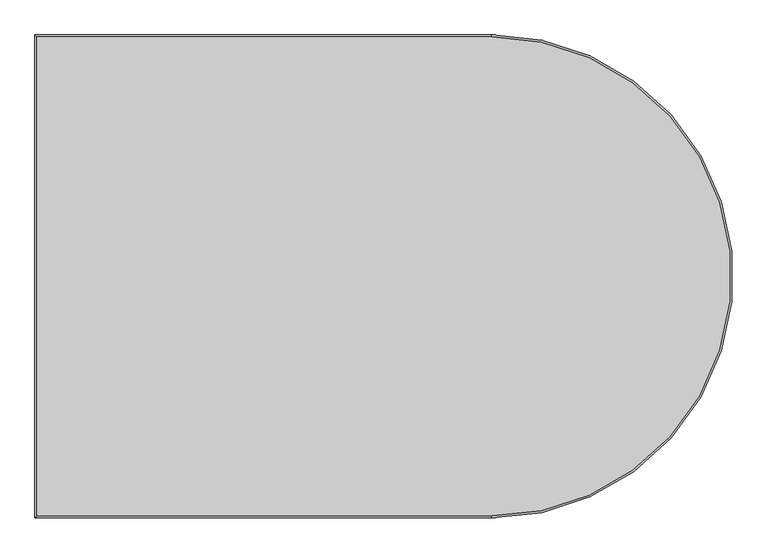
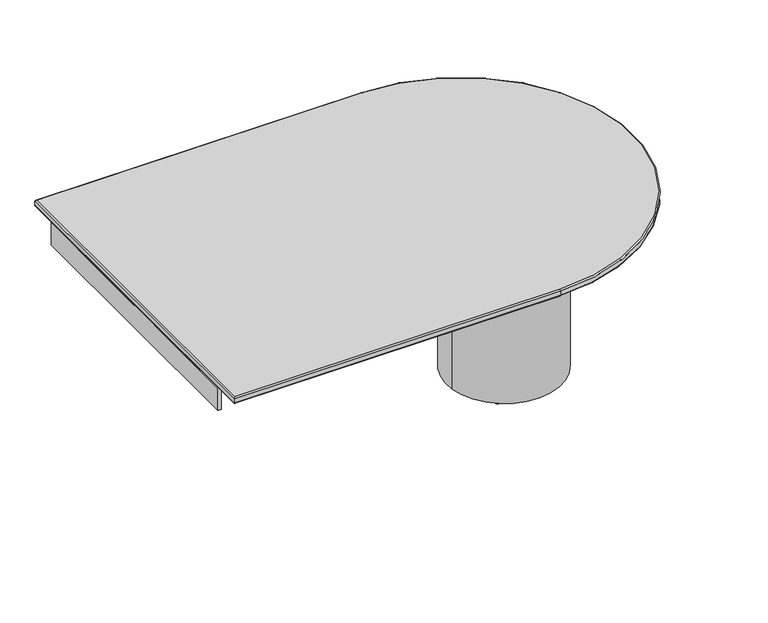
"""IFC4 building model written with IfcOpenShell, lengths in millimetres: furniture geometry."""

from ifc_helpers import new_model, si_unit, point, frame, frame_2d, origin, origin_with_axes, place, context, project, spatial, polyline, circle_curve, ellipse_curve, trimmed, segment, composite_curve, outline, extrude, source, transform, mapped, element, save
from ifc_brep_helpers import plane_surface, cylinder_surface, revolved_surface, advanced_brep


def furniture_6aa3ad84(model_context):
    return source(origin(), model_context, "Body", "SolidModel", [
        extrude(outline(polyline([(-1188.2497719, 501.9960022), (-1188.2491592, -501.9960022), (-1199.9996486, -501.9960022), (-1199.9996486, 501.9960022), (-1188.2497719, 501.9960022)])), frame((0.0, 0.0, 592.4214172), z_axis=(0.0, 0.0, 1.0), x_axis=(1.0, 0.0, 0.0)), (0.0, 0.0, 1.0), 82.5785828),
        extrude(outline(composite_curve([segment(trimmed(circle_curve(frame_2d((85.0, 0.0)), 200.0), [point((-113.1306356, -27.2809682))], [point((283.1306356, 27.2809682))], False, "CARTESIAN"), True, "CONTINUOUS"), segment(trimmed(circle_curve(frame_2d((85.0, 0.0)), 200.0), [point((283.1306356, 27.2809682))], [point((-113.1306356, -27.2809682))], False, "CARTESIAN"), True, "CONTINUOUS")], self_intersect=False), holes=[composite_curve([segment(trimmed(circle_curve(frame_2d((85.0, 0.0)), 125.0), [point((-38.8316473, -17.0506051))], [point((208.8316473, 17.0506051))], True, "CARTESIAN"), True, "CONTINUOUS"), segment(trimmed(circle_curve(frame_2d((85.0, 0.0)), 125.0), [point((208.8316473, 17.0506051))], [point((-38.8316473, -17.0506051))], True, "CARTESIAN"), True, "CONTINUOUS")], self_intersect=False)]), frame((0.0, 0.0, 4.0), z_axis=(0.0, 0.0, 1.0), x_axis=(1.0, 0.0, 0.0)), (0.0, 0.0, 1.0), 671.0),
        extrude(outline(composite_curve([segment(trimmed(circle_curve(frame_2d((230.3308694, -106.6910172)), 8.5), [point((238.8308694, -106.6910172))], [point((221.8308694, -106.6910172))], False, "CARTESIAN"), True, "CONTINUOUS"), segment(trimmed(circle_curve(frame_2d((230.3308694, -106.6910172)), 8.5), [point((221.8308694, -106.6910172))], [point((238.8308694, -106.6910172))], False, "CARTESIAN"), True, "CONTINUOUS")], self_intersect=False)), origin_with_axes(), (0.0, 0.0, 1.0), 4.0),
        extrude(outline(composite_curve([segment(trimmed(circle_curve(frame_2d((-70.1959548, 103.8020102)), 8.5), [point((-61.6959548, 103.8020102))], [point((-78.6959548, 103.8020102))], False, "CARTESIAN"), True, "CONTINUOUS"), segment(trimmed(circle_curve(frame_2d((-70.1959548, 103.8020102)), 8.5), [point((-78.6959548, 103.8020102))], [point((-61.6959548, 103.8020102))], False, "CARTESIAN"), True, "CONTINUOUS")], self_intersect=False)), origin_with_axes(), (0.0, 0.0, 1.0), 4.0),
        extrude(outline(composite_curve([segment(trimmed(circle_curve(frame_2d((185.3734687, 148.7750738)), 8.5), [point((193.8734687, 148.7750738))], [point((176.8734687, 148.7750738))], False, "CARTESIAN"), True, "CONTINUOUS"), segment(trimmed(circle_curve(frame_2d((185.3734687, 148.7750738)), 8.5), [point((176.8734687, 148.7750738))], [point((193.8734687, 148.7750738))], False, "CARTESIAN"), True, "CONTINUOUS")], self_intersect=False)), origin_with_axes(), (0.0, 0.0, 1.0), 4.0),
        extrude(outline(composite_curve([segment(trimmed(circle_curve(frame_2d((-25.1766757, -151.7514084)), 8.5), [point((-16.6766757, -151.7514084))], [point((-33.6766757, -151.7514084))], False, "CARTESIAN"), True, "CONTINUOUS"), segment(trimmed(circle_curve(frame_2d((-25.1766757, -151.7514084)), 8.5), [point((-33.6766757, -151.7514084))], [point((-16.6766757, -151.7514084))], False, "CARTESIAN"), True, "CONTINUOUS")], self_intersect=False)), origin_with_axes(), (0.0, 0.0, 1.0), 4.0),
        advanced_brep(
        [(-64.9557033, -594.9998093, 699.375), (-64.9557033, 595.0001907, 699.375), (-1194.9996486, 595.0001907, 699.375), (-1194.9996486, -594.9998093, 699.375), (-64.9557033, 595.0001907, 675.0), (-64.9557033, -594.9998093, 675.0), (-1194.9996486, -594.9998093, 675.0), (-1194.9996486, 595.0001907, 675.0), (-1199.9996486, 600.0001907, 694.375), (-64.9557033, 600.0001907, 694.375), (-64.9557033, 600.0001907, 680.0), (-1199.9996486, 600.0001907, 680.0), (-1199.9996486, -599.9998093, 694.375), (-1199.9996486, -599.9998093, 680.0), (-64.9557033, -599.9998093, 694.375), (-64.9557033, -599.9998093, 680.0)],
        [
            (0, 1, circle_curve(frame((-64.9557033, 0.0001907, 699.375), z_axis=(0.0, 0.0, 1.0), x_axis=(0.0, -1.0, 0.0)), 595.0)),
            (1, 2),
            (2, 3),
            (3, 0),
            (4, 5, circle_curve(frame((-64.9557033, 0.0001907, 675.0), z_axis=(0.0, 0.0, -1.0), x_axis=(0.0, -1.0, 0.0)), 595.0)),
            (5, 6),
            (6, 7),
            (7, 4),
            (8, 9),
            (9, 10),
            (10, 11),
            (11, 8),
            (12, 8),
            (11, 13),
            (13, 12),
            (14, 12),
            (13, 15),
            (15, 14),
            (9, 14, circle_curve(frame((-64.9557033, 0.0001907, 694.375), z_axis=(0.0, 0.0, -1.0), x_axis=(1.0, 0.0, 0.0)), 600.0)),
            (15, 10, circle_curve(frame((-64.9557033, 0.0001907, 680.0), z_axis=(0.0, 0.0, 1.0), x_axis=(1.0, 0.0, 0.0)), 600.0)),
            (9, 1, circle_curve(frame((-64.9557033, 595.0001907, 694.375), z_axis=(1.0, 0.0, 0.0), x_axis=(0.0, -1.0, 0.0)), 5.0)),
            (0, 14, circle_curve(frame((-64.9557033, -594.9998093, 694.375), z_axis=(1.0, 0.0, 0.0), x_axis=(0.0, 1.0, 0.0)), 5.0)),
            (8, 2, ellipse_curve(frame((-1194.9996486, 595.0001907, 694.375), z_axis=(0.7071067811865493, 0.7071067811865456, 0.0), x_axis=(-0.7071067811865457, 0.7071067811865493, 0.0)), 7.0710678, 5.0)),
            (12, 3, ellipse_curve(frame((-1194.9996486, -594.9998093, 694.375), z_axis=(-0.7071067811865456, 0.7071067811865495, 0.0), x_axis=(-0.7071067811865493, -0.7071067811865456, 0.0)), 7.0710678, 5.0)),
            (4, 10, circle_curve(frame((-64.9557033, 595.0001907, 680.0), z_axis=(1.0, 0.0, 0.0), x_axis=(0.0, -1.0, 0.0)), 5.0)),
            (15, 5, circle_curve(frame((-64.9557033, -594.9998093, 680.0), z_axis=(1.0, 0.0, 0.0), x_axis=(0.0, 1.0, 0.0)), 5.0)),
            (7, 11, ellipse_curve(frame((-1194.9996486, 595.0001907, 680.0), z_axis=(0.7071067811865493, 0.7071067811865456, 0.0), x_axis=(-0.7071067811865457, 0.7071067811865493, 0.0)), 7.0710678, 5.0)),
            (6, 13, ellipse_curve(frame((-1194.9996486, -594.9998093, 680.0), z_axis=(-0.7071067811865456, 0.7071067811865495, 0.0), x_axis=(-0.7071067811865493, -0.7071067811865456, 0.0)), 7.0710678, 5.0)),
        ],
        [
            plane_surface(frame((-64.9557033, 600.0001907, 699.375), z_axis=(0.0, 0.0, 1.0), x_axis=(-1.0, 0.0, 0.0))),
            plane_surface(frame((-64.9557033, 600.0001907, 675.0), z_axis=(0.0, 0.0, -1.0), x_axis=(1.0, 0.0, 0.0))),
            plane_surface(frame((-64.9557033, 600.0001907, 699.375), z_axis=(0.0, 1.0, 0.0), x_axis=(0.0, 0.0, -1.0))),
            plane_surface(frame((-1199.9996486, 600.0001907, 699.375), z_axis=(-1.0, 0.0, 0.0), x_axis=(0.0, 0.0, -1.0))),
            plane_surface(frame((-1199.9996486, -599.9998093, 699.375), z_axis=(0.0, -1.0, 0.0), x_axis=(0.0, 0.0, -1.0))),
            cylinder_surface(frame((-64.9557033, 0.0001907, 675.0), z_axis=(0.0, 0.0, 1.0), x_axis=(1.0, 0.0, 0.0)), 600.0),
            revolved_surface(trimmed(ellipse_curve(frame((-64.9557033, -594.9998093, 694.375), z_axis=(-1.0, 0.0, 0.0), x_axis=(0.0, 1.0, 0.0)), 5.0, 5.0), [point((-64.9557033, -599.9998093, 694.375))], [point((-64.9557033, -594.9998093, 699.375))], True, "CARTESIAN"), (-64.9557033, 0.0001907, 699.375), (0.0, 0.0, 1.0)),
            cylinder_surface(frame((-64.9557033, 595.0001907, 694.375), z_axis=(-1.0, 0.0, 0.0), x_axis=(0.0, -1.0, 0.0)), 5.0),
            cylinder_surface(frame((-1194.9996486, 600.0001907, 694.375), z_axis=(0.0, -1.0, 0.0), x_axis=(1.0, 0.0, 0.0)), 5.0),
            cylinder_surface(frame((-1199.9996486, -594.9998093, 694.375), z_axis=(1.0, 0.0, 0.0), x_axis=(0.0, 1.0, 0.0)), 5.0),
            revolved_surface(trimmed(ellipse_curve(frame((-64.9557033, -594.9998093, 680.0), z_axis=(-1.0, 0.0, 0.0), x_axis=(0.0, 1.0, 0.0)), 5.0, 5.0), [point((-64.9557033, -594.9998093, 675.0))], [point((-64.9557033, -599.9998093, 680.0))], True, "CARTESIAN"), (-64.9557033, 0.0001907, 675.0), (0.0, 0.0, 1.0)),
            cylinder_surface(frame((-64.9557033, 595.0001907, 680.0), z_axis=(-1.0, 0.0, 0.0), x_axis=(0.0, -1.0, 0.0)), 5.0),
            cylinder_surface(frame((-1194.9996486, 600.0001907, 680.0), z_axis=(0.0, -1.0, 0.0), x_axis=(1.0, 0.0, 0.0)), 5.0),
            cylinder_surface(frame((-1199.9996486, -594.9998093, 680.0), z_axis=(1.0, 0.0, 0.0), x_axis=(0.0, 1.0, 0.0)), 5.0),
        ],
        [
            (0, [[1, 2, 3, 4]]),
            (1, [[5, 6, 7, 8]]),
            (2, [[9, 10, 11, 12]]),
            (3, [[13, -12, 14, 15]]),
            (4, [[16, -15, 17, 18]]),
            (5, [[19, -18, 20, -10]]),
            (6, [[21, -1, 22, -19]]),
            (7, [[-21, -9, 23, -2]]),
            (8, [[-23, -13, 24, -3]]),
            (9, [[-22, -4, -24, -16]]),
            (10, [[25, -20, 26, -5]]),
            (11, [[-25, -8, 27, -11]]),
            (12, [[-27, -7, 28, -14]]),
            (13, [[-26, -17, -28, -6]]),
        ],
    ),
    ])


if __name__ == "__main__":
    model = new_model("IFC4")
    model_context = context("Model", 3, world=origin())
    ifc_project = project(units=[si_unit("LENGTHUNIT", "METRE", prefix="MILLI")], contexts=[model_context])
    site = spatial("IfcSite", under=ifc_project)
    building = spatial("IfcBuilding", under=site)
    placement = place(None, origin())
    furniture_shape = furniture_6aa3ad84(model_context)
    element("IfcFurniture", 1, at=placement, inside=building, context=model_context, shape_type="MappedRepresentation", body=[
        mapped(furniture_shape, transform((0.0, 0.0, 0.0), x_axis=(1.0, 0.0, 0.0), y_axis=(0.0, 1.0, 0.0), z_axis=(0.0, 0.0, 1.0))),
    ])
    save(model, "model.ifc")
